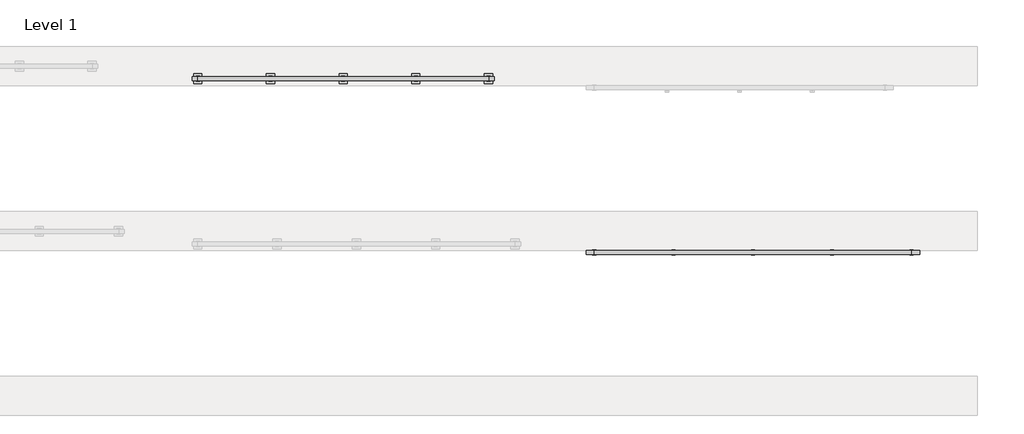
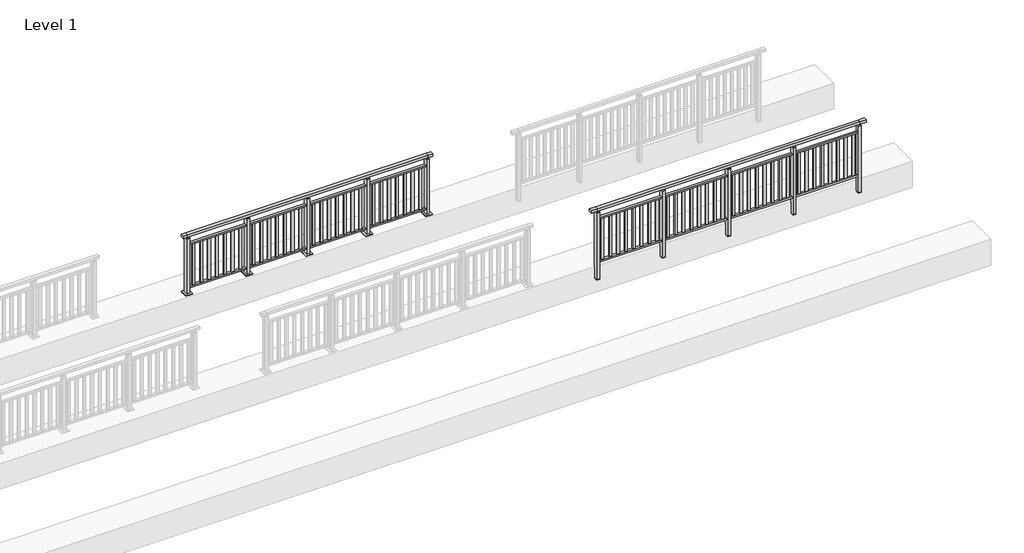
# One storey, part 24 of 38: 2 railings.
"""IFC4 building model written with IfcOpenShell, lengths in millimetres."""

import ifcopenshell
import ifcopenshell.guid

model = None  # the IFC model being written
_history = None  # IfcOwnerHistory: only IFC2X3 demands one
_inside = {}  # id of a spatial element -> (the spatial element, [elements in it])
_under = {}  # id of a project, library or spatial element -> (it, [spatial elements below it])
_declared = {}  # id of a project -> (the project, [libraries it declares])
_typed = {}  # id of a type object -> (the type object, [elements of that type])
_made_of = {}  # id of a material, layer set ... -> (it, [elements and type objects made of it])


def new_model(schema):
    """Start an empty IFC model of exactly this schema.

    Asked for "IFC4X3", IfcOpenShell would pick the latest addendum, in which some entities
    have other attributes; the version numbers below select the first issue.
    IFC2X3 requires an IfcOwnerHistory on every rooted entity: one is made here for all.
    """
    global model, _history
    if schema == "IFC4X3":
        model = ifcopenshell.file(schema_version=(4, 3, 0, 0))
    else:
        model = ifcopenshell.file(schema=schema)
    _inside.clear()
    _under.clear()
    _declared.clear()
    _typed.clear()
    _made_of.clear()
    _history = None
    if model.schema == "IFC2X3":
        org = make("IfcOrganization", Name="unknown")
        user = make(
            "IfcPersonAndOrganization",
            ThePerson=make("IfcPerson", FamilyName="unknown"),
            TheOrganization=org,
        )
        app = make(
            "IfcApplication",
            ApplicationDeveloper=org,
            Version="unknown",
            ApplicationFullName="unknown",
            ApplicationIdentifier="unknown",
        )
        _history = make(
            "IfcOwnerHistory",
            OwningUser=user,
            OwningApplication=app,
            ChangeAction="ADDED",
            CreationDate=0,
        )
    return model


def make(cls, **values):
    """One entity of the class cls with the attributes given. An attribute that is None is left unset."""
    return model.create_entity(
        cls, **{name: value for name, value in values.items() if value is not None}
    )


def rooted(cls, **values):
    """An entity with a GlobalId (a new one), such as an element, a storey or a relation."""
    return make(cls, GlobalId=ifcopenshell.guid.new(), OwnerHistory=_history, **values)


def si_unit(unit_type, name, prefix=None):
    """IfcSIUnit, for example si_unit("LENGTHUNIT", "METRE", prefix="MILLI")."""
    return make("IfcSIUnit", UnitType=unit_type, Prefix=prefix, Name=name)


def assignment(units):
    """IfcUnitAssignment: the units of a project."""
    return None if units is None else make("IfcUnitAssignment", Units=units)


def point(xyz):
    """IfcCartesianPoint."""
    return None if xyz is None else make("IfcCartesianPoint", Coordinates=xyz)


def direction(xyz):
    """IfcDirection."""
    return None if xyz is None else make("IfcDirection", DirectionRatios=xyz)


def frame(location, z_axis=None, x_axis=None):
    """IfcAxis2Placement3D, a coordinate frame: its origin and axes. An axis left out is left unset."""
    return make(
        "IfcAxis2Placement3D",
        Location=point(location),
        Axis=direction(z_axis),
        RefDirection=direction(x_axis),
    )


def origin():
    """The frame at (0, 0, 0) with its axes left unset."""
    return frame((0.0, 0.0, 0.0))


def origin_with_axes():
    """The frame at (0, 0, 0) with the z axis (0, 0, 1) and the x axis (1, 0, 0) written out."""
    return frame((0.0, 0.0, 0.0), z_axis=(0.0, 0.0, 1.0), x_axis=(1.0, 0.0, 0.0))


def place(relative_to, where):
    """IfcLocalPlacement: puts the frame where relative to a parent placement (None: the world)."""
    return make(
        "IfcLocalPlacement", PlacementRelTo=relative_to, RelativePlacement=where
    )


def context(
    kind, dimensions, precision=None, world=None, true_north=None, identifier=None
):
    """IfcGeometricRepresentationContext, for example the 3D "Model" context."""
    return make(
        "IfcGeometricRepresentationContext",
        ContextIdentifier=identifier,
        ContextType=kind,
        CoordinateSpaceDimension=dimensions,
        Precision=precision,
        WorldCoordinateSystem=world,
        TrueNorth=true_north,
    )


def project(units=None, contexts=None):
    """IfcProject with its units and contexts."""
    return rooted(
        "IfcProject",
        Name="project",
        RepresentationContexts=contexts,
        UnitsInContext=assignment(units),
    )


def spatial(cls, under=None, at=None, **own):
    """A site, building, storey or space (cls), placed at a placement, below another one or the project."""
    s = rooted(cls, ObjectPlacement=at, **own)
    if under is not None:
        _under.setdefault(under.id(), (under, []))[1].append(s)
    return s


def polyline(points):
    """IfcPolyline through the points."""
    return make("IfcPolyline", Points=[point(p) for p in points])


def outline(outer, holes=None, kind="AREA"):
    """IfcArbitraryClosedProfileDef: a profile drawn as a closed curve; with holes, ...WithVoids."""
    if holes is None:
        return make("IfcArbitraryClosedProfileDef", ProfileType=kind, OuterCurve=outer)
    return make(
        "IfcArbitraryProfileDefWithVoids",
        ProfileType=kind,
        OuterCurve=outer,
        InnerCurves=holes,
    )


def extrude(swept, where, along, depth):
    """IfcExtrudedAreaSolid: the profile swept, set in the frame where, extruded along a direction by depth."""
    return make(
        "IfcExtrudedAreaSolid",
        SweptArea=swept,
        Position=where,
        ExtrudedDirection=direction(along),
        Depth=depth,
    )


def faces_of(points, faces, orient=None, outer=None):
    """IfcFace entities. A face is a list of loops; a loop is a list of indices into points, from 0.

    orient and outer hold one flag for each loop. By default every Orientation is true, the
    first loop of a face is its IfcFaceOuterBound and the others are IfcFaceBound.
    """
    made = []
    for i, loops in enumerate(faces):
        bounds = []
        for j, loop in enumerate(loops):
            is_outer = j == 0 if outer is None else outer[i][j]
            bounds.append(
                make(
                    "IfcFaceOuterBound" if is_outer else "IfcFaceBound",
                    Bound=make("IfcPolyLoop", Polygon=[points[k] for k in loop]),
                    Orientation=True if orient is None else orient[i][j],
                )
            )
        made.append(make("IfcFace", Bounds=bounds))
    return made


def faceted_brep(points, faces, orient=None, outer=None, voids=None):
    """IfcFacetedBrep: a solid bounded by flat faces; with voids (closed shells), ...WithVoids."""
    shared = [point(p) for p in points]
    hull = make("IfcClosedShell", CfsFaces=faces_of(shared, faces, orient, outer))
    if voids is None:
        return make("IfcFacetedBrep", Outer=hull)
    return make(
        "IfcFacetedBrepWithVoids",
        Outer=hull,
        Voids=[
            make(cls, CfsFaces=faces_of(shared, fs, o, b)) for cls, fs, o, b in voids
        ],
    )


def shape(context_of_items, identifier, shape_type, items):
    """IfcShapeRepresentation: the items that make up one representation, for example the "Body"."""
    return make(
        "IfcShapeRepresentation",
        ContextOfItems=context_of_items,
        RepresentationIdentifier=identifier,
        RepresentationType=shape_type,
        Items=items,
    )


def made_of(thing, what):
    """Note that an element or type object is made of a material, layer set ...; save() writes the relation."""
    if what is not None:
        _made_of.setdefault(what.id(), (what, []))[1].append(thing)
    return thing


def element(
    cls,
    number,
    at=None,
    inside=None,
    cuts=None,
    type_object=None,
    material=None,
    context=None,
    identifier="Body",
    shape_type=None,
    held_by="IfcProductDefinitionShape",
    body=None,
    shapes=None,
    **own,
):
    """One element of the class cls, such as IfcWall. Its Tag is "e" and its number.

    at: its placement. inside: the storey or other place that contains it. cuts: it is an
    opening in that element (IfcRelVoidsElement). A single representation is given by context,
    identifier, shape_type and body (its items); several are given by shapes. held_by: the class
    of the entity that holds the representations. save() writes the other relations.
    """
    e = rooted(cls, Tag="e%d" % number, ObjectPlacement=at, **own)
    if body is not None:
        shapes = [shape(context, identifier, shape_type, body)]
    if shapes is not None:
        e.Representation = make(held_by, Representations=shapes)
    if inside is not None:
        _inside.setdefault(inside.id(), (inside, []))[1].append(e)
    if cuts is not None:
        rooted(
            "IfcRelVoidsElement", RelatingBuildingElement=cuts, RelatedOpeningElement=e
        )
    if type_object is not None:
        _typed.setdefault(type_object.id(), (type_object, []))[1].append(e)
    return made_of(e, material)


def aggregate(whole, parts):
    """IfcRelAggregates: a whole, such as a stair, and the parts it consists of."""
    return rooted("IfcRelAggregates", RelatingObject=whole, RelatedObjects=parts)


def save(model, path):
    """Write the relations noted so far, then the file.

    IfcRelAggregates (storeys below a building ...), IfcRelContainedInSpatialStructure (elements
    in a storey), IfcRelDefinesByType, IfcRelAssociatesMaterial and IfcRelDeclares: one each for
    every whole, place, type object, material and project.
    """
    for whole, parts in _under.values():
        aggregate(whole, parts)
    for where, things in _inside.values():
        rooted(
            "IfcRelContainedInSpatialStructure",
            RelatedElements=things,
            RelatingStructure=where,
        )
    for kind, things in _typed.values():
        rooted("IfcRelDefinesByType", RelatedObjects=things, RelatingType=kind)
    for what, things in _made_of.values():
        rooted("IfcRelAssociatesMaterial", RelatedObjects=things, RelatingMaterial=what)
    for by, libraries in _declared.values():
        rooted("IfcRelDeclares", RelatingContext=by, RelatedDefinitions=libraries)
    model.write(path)


model = new_model("IFC4")

# Units and contexts
model_context = context("Model", 3, world=origin())
ifc_project = project(units=[si_unit("LENGTHUNIT", "METRE", prefix="MILLI")], contexts=[model_context])

# Site, building, storey
site = spatial("IfcSite", under=ifc_project)
building = spatial("IfcBuilding", under=site)
storey = spatial("IfcBuildingStorey", under=building, Name="Level 1", Elevation=0.0)

# Railings
placement = place(None, origin())
element("IfcRailing", 1, at=placement, inside=storey, context=model_context, shape_type="SolidModel", body=[
    faceted_brep([(12000.0, 32397.6846828, 1102.5), (12000.0, 32397.6846828, 1150.0), (16800.0, 32397.6846828, 1150.0), (16800.0, 32397.6846828, 1102.5), (12000.0, 32337.6846828, 1102.5), (16800.0, 32337.6846828, 1102.5), (12000.0, 32337.6846828, 1150.0), (16800.0, 32337.6846828, 1150.0), (11877.0, 32397.6846828, 1150.0), (11877.0, 32397.6846828, 1102.5), (11877.0, 32337.6846828, 1102.5), (11877.0, 32337.6846828, 1150.0), (16923.0, 32397.6846828, 1150.0), (16923.0, 32337.6846828, 1150.0), (16923.0, 32337.6846828, 1102.5), (16923.0, 32397.6846828, 1102.5)], [[[0, 1, 2, 3]], [[4, 0, 3, 5]], [[6, 4, 5, 7]], [[1, 6, 7, 2]], [[8, 9, 10, 11]], [[9, 8, 1, 0]], [[10, 9, 0, 4]], [[11, 10, 4, 6]], [[8, 11, 6, 1]], [[12, 13, 14, 15]], [[3, 2, 12, 15]], [[5, 3, 15, 14]], [[7, 5, 14, 13]], [[2, 7, 13, 12]]]),
    extrude(outline(polyline([(12000.0, 32349.6846828), (12000.0, 32385.6846828), (16800.0, 32385.6846828), (16800.0, 32349.6846828), (12000.0, 32349.6846828)])), frame((0.0, 0.0, 928.0), z_axis=(0.0, 0.0, 1.0), x_axis=(1.0, 0.0, 0.0)), (0.0, 0.0, 1.0), 32.0),
    extrude(outline(polyline([(12000.0, 32349.6846828), (12000.0, 32385.6846828), (16800.0, 32385.6846828), (16800.0, 32349.6846828), (12000.0, 32349.6846828)])), frame((0.0, 0.0, 93.0), z_axis=(0.0, 0.0, 1.0), x_axis=(1.0, 0.0, 0.0)), (0.0, 0.0, 1.0), 32.0),
    extrude(outline(polyline([(16725.7345679, 32359.1846828), (16676.7345679, 32359.1846828), (16676.7345679, 32376.1846828), (16725.7345679, 32376.1846828), (16725.7345679, 32359.1846828)])), frame((0.0, 0.0, 125.0), z_axis=(0.0, 0.0, 1.0), x_axis=(1.0, 0.0, 0.0)), (0.0, 0.0, 1.0), 803.0),
    extrude(outline(polyline([(16582.5246914, 32359.1846828), (16533.5246914, 32359.1846828), (16533.5246914, 32376.1846828), (16582.5246914, 32376.1846828), (16582.5246914, 32359.1846828)])), frame((0.0, 0.0, 125.0), z_axis=(0.0, 0.0, 1.0), x_axis=(1.0, 0.0, 0.0)), (0.0, 0.0, 1.0), 803.0),
    extrude(outline(polyline([(16439.3148148, 32359.1846828), (16390.3148148, 32359.1846828), (16390.3148148, 32376.1846828), (16439.3148148, 32376.1846828), (16439.3148148, 32359.1846828)])), frame((0.0, 0.0, 125.0), z_axis=(0.0, 0.0, 1.0), x_axis=(1.0, 0.0, 0.0)), (0.0, 0.0, 1.0), 803.0),
    extrude(outline(polyline([(16296.1049383, 32359.1846828), (16247.1049383, 32359.1846828), (16247.1049383, 32376.1846828), (16296.1049383, 32376.1846828), (16296.1049383, 32359.1846828)])), frame((0.0, 0.0, 125.0), z_axis=(0.0, 0.0, 1.0), x_axis=(1.0, 0.0, 0.0)), (0.0, 0.0, 1.0), 803.0),
    extrude(outline(polyline([(16152.8950617, 32359.1846828), (16103.8950617, 32359.1846828), (16103.8950617, 32376.1846828), (16152.8950617, 32376.1846828), (16152.8950617, 32359.1846828)])), frame((0.0, 0.0, 125.0), z_axis=(0.0, 0.0, 1.0), x_axis=(1.0, 0.0, 0.0)), (0.0, 0.0, 1.0), 803.0),
    extrude(outline(polyline([(16009.6851852, 32359.1846828), (15960.6851852, 32359.1846828), (15960.6851852, 32376.1846828), (16009.6851852, 32376.1846828), (16009.6851852, 32359.1846828)])), frame((0.0, 0.0, 125.0), z_axis=(0.0, 0.0, 1.0), x_axis=(1.0, 0.0, 0.0)), (0.0, 0.0, 1.0), 803.0),
    extrude(outline(polyline([(15866.4753086, 32359.1846828), (15817.4753086, 32359.1846828), (15817.4753086, 32376.1846828), (15866.4753086, 32376.1846828), (15866.4753086, 32359.1846828)])), frame((0.0, 0.0, 125.0), z_axis=(0.0, 0.0, 1.0), x_axis=(1.0, 0.0, 0.0)), (0.0, 0.0, 1.0), 803.0),
    extrude(outline(polyline([(15723.2654321, 32359.1846828), (15674.2654321, 32359.1846828), (15674.2654321, 32376.1846828), (15723.2654321, 32376.1846828), (15723.2654321, 32359.1846828)])), frame((0.0, 0.0, 125.0), z_axis=(0.0, 0.0, 1.0), x_axis=(1.0, 0.0, 0.0)), (0.0, 0.0, 1.0), 803.0),
    extrude(outline(polyline([(15627.0, 32406.6846828), (15627.0, 32328.6846828), (15573.0, 32328.6846828), (15573.0, 32406.6846828), (15627.0, 32406.6846828)])), frame((0.0, 0.0, 1077.0), z_axis=(0.0, 0.0, 1.0), x_axis=(1.0, 0.0, 0.0)), (0.0, 0.0, 1.0), 8.0),
    extrude(outline(polyline([(15627.0, 32406.6846828), (15627.0, 32328.6846828), (15573.0, 32328.6846828), (15573.0, 32406.6846828), (15627.0, 32406.6846828)])), frame((0.0, 0.0, -212.0), z_axis=(0.0, 0.0, 1.0), x_axis=(1.0, 0.0, 0.0)), (0.0, 0.0, 1.0), 1289.0),
    extrude(outline(polyline([(15610.0, 32377.6846828), (15610.0, 32357.6846828), (15590.0, 32357.6846828), (15590.0, 32377.6846828), (15610.0, 32377.6846828)])), frame((0.0, 0.0, 1085.0), z_axis=(0.0, 0.0, 1.0), x_axis=(1.0, 0.0, 0.0)), (0.0, 0.0, 1.0), 20.0),
    extrude(outline(polyline([(15627.0, 32406.6846828), (15627.0, 32328.6846828), (15573.0, 32328.6846828), (15573.0, 32406.6846828), (15627.0, 32406.6846828)])), frame((0.0, 0.0, -220.0), z_axis=(0.0, 0.0, 1.0), x_axis=(1.0, 0.0, 0.0)), (0.0, 0.0, 1.0), 8.0),
    extrude(outline(polyline([(15525.7345679, 32359.1846828), (15476.7345679, 32359.1846828), (15476.7345679, 32376.1846828), (15525.7345679, 32376.1846828), (15525.7345679, 32359.1846828)])), frame((0.0, 0.0, 125.0), z_axis=(0.0, 0.0, 1.0), x_axis=(1.0, 0.0, 0.0)), (0.0, 0.0, 1.0), 803.0),
    extrude(outline(polyline([(15382.5246914, 32359.1846828), (15333.5246914, 32359.1846828), (15333.5246914, 32376.1846828), (15382.5246914, 32376.1846828), (15382.5246914, 32359.1846828)])), frame((0.0, 0.0, 125.0), z_axis=(0.0, 0.0, 1.0), x_axis=(1.0, 0.0, 0.0)), (0.0, 0.0, 1.0), 803.0),
    extrude(outline(polyline([(15239.3148148, 32359.1846828), (15190.3148148, 32359.1846828), (15190.3148148, 32376.1846828), (15239.3148148, 32376.1846828), (15239.3148148, 32359.1846828)])), frame((0.0, 0.0, 125.0), z_axis=(0.0, 0.0, 1.0), x_axis=(1.0, 0.0, 0.0)), (0.0, 0.0, 1.0), 803.0),
    extrude(outline(polyline([(15096.1049383, 32359.1846828), (15047.1049383, 32359.1846828), (15047.1049383, 32376.1846828), (15096.1049383, 32376.1846828), (15096.1049383, 32359.1846828)])), frame((0.0, 0.0, 125.0), z_axis=(0.0, 0.0, 1.0), x_axis=(1.0, 0.0, 0.0)), (0.0, 0.0, 1.0), 803.0),
    extrude(outline(polyline([(14952.8950617, 32359.1846828), (14903.8950617, 32359.1846828), (14903.8950617, 32376.1846828), (14952.8950617, 32376.1846828), (14952.8950617, 32359.1846828)])), frame((0.0, 0.0, 125.0), z_axis=(0.0, 0.0, 1.0), x_axis=(1.0, 0.0, 0.0)), (0.0, 0.0, 1.0), 803.0),
    extrude(outline(polyline([(14809.6851852, 32359.1846828), (14760.6851852, 32359.1846828), (14760.6851852, 32376.1846828), (14809.6851852, 32376.1846828), (14809.6851852, 32359.1846828)])), frame((0.0, 0.0, 125.0), z_axis=(0.0, 0.0, 1.0), x_axis=(1.0, 0.0, 0.0)), (0.0, 0.0, 1.0), 803.0),
    extrude(outline(polyline([(14666.4753086, 32359.1846828), (14617.4753086, 32359.1846828), (14617.4753086, 32376.1846828), (14666.4753086, 32376.1846828), (14666.4753086, 32359.1846828)])), frame((0.0, 0.0, 125.0), z_axis=(0.0, 0.0, 1.0), x_axis=(1.0, 0.0, 0.0)), (0.0, 0.0, 1.0), 803.0),
    extrude(outline(polyline([(14523.2654321, 32359.1846828), (14474.2654321, 32359.1846828), (14474.2654321, 32376.1846828), (14523.2654321, 32376.1846828), (14523.2654321, 32359.1846828)])), frame((0.0, 0.0, 125.0), z_axis=(0.0, 0.0, 1.0), x_axis=(1.0, 0.0, 0.0)), (0.0, 0.0, 1.0), 803.0),
    extrude(outline(polyline([(14427.0, 32406.6846828), (14427.0, 32328.6846828), (14373.0, 32328.6846828), (14373.0, 32406.6846828), (14427.0, 32406.6846828)])), frame((0.0, 0.0, 1077.0), z_axis=(0.0, 0.0, 1.0), x_axis=(1.0, 0.0, 0.0)), (0.0, 0.0, 1.0), 8.0),
    extrude(outline(polyline([(14427.0, 32406.6846828), (14427.0, 32328.6846828), (14373.0, 32328.6846828), (14373.0, 32406.6846828), (14427.0, 32406.6846828)])), frame((0.0, 0.0, -212.0), z_axis=(0.0, 0.0, 1.0), x_axis=(1.0, 0.0, 0.0)), (0.0, 0.0, 1.0), 1289.0),
    extrude(outline(polyline([(14410.0, 32377.6846828), (14410.0, 32357.6846828), (14390.0, 32357.6846828), (14390.0, 32377.6846828), (14410.0, 32377.6846828)])), frame((0.0, 0.0, 1085.0), z_axis=(0.0, 0.0, 1.0), x_axis=(1.0, 0.0, 0.0)), (0.0, 0.0, 1.0), 20.0),
    extrude(outline(polyline([(14427.0, 32406.6846828), (14427.0, 32328.6846828), (14373.0, 32328.6846828), (14373.0, 32406.6846828), (14427.0, 32406.6846828)])), frame((0.0, 0.0, -220.0), z_axis=(0.0, 0.0, 1.0), x_axis=(1.0, 0.0, 0.0)), (0.0, 0.0, 1.0), 8.0),
    extrude(outline(polyline([(14325.7345679, 32359.1846828), (14276.7345679, 32359.1846828), (14276.7345679, 32376.1846828), (14325.7345679, 32376.1846828), (14325.7345679, 32359.1846828)])), frame((0.0, 0.0, 125.0), z_axis=(0.0, 0.0, 1.0), x_axis=(1.0, 0.0, 0.0)), (0.0, 0.0, 1.0), 803.0),
    extrude(outline(polyline([(14182.5246914, 32359.1846828), (14133.5246914, 32359.1846828), (14133.5246914, 32376.1846828), (14182.5246914, 32376.1846828), (14182.5246914, 32359.1846828)])), frame((0.0, 0.0, 125.0), z_axis=(0.0, 0.0, 1.0), x_axis=(1.0, 0.0, 0.0)), (0.0, 0.0, 1.0), 803.0),
    extrude(outline(polyline([(14039.3148148, 32359.1846828), (13990.3148148, 32359.1846828), (13990.3148148, 32376.1846828), (14039.3148148, 32376.1846828), (14039.3148148, 32359.1846828)])), frame((0.0, 0.0, 125.0), z_axis=(0.0, 0.0, 1.0), x_axis=(1.0, 0.0, 0.0)), (0.0, 0.0, 1.0), 803.0),
    extrude(outline(polyline([(13896.1049383, 32359.1846828), (13847.1049383, 32359.1846828), (13847.1049383, 32376.1846828), (13896.1049383, 32376.1846828), (13896.1049383, 32359.1846828)])), frame((0.0, 0.0, 125.0), z_axis=(0.0, 0.0, 1.0), x_axis=(1.0, 0.0, 0.0)), (0.0, 0.0, 1.0), 803.0),
    extrude(outline(polyline([(13752.8950617, 32359.1846828), (13703.8950617, 32359.1846828), (13703.8950617, 32376.1846828), (13752.8950617, 32376.1846828), (13752.8950617, 32359.1846828)])), frame((0.0, 0.0, 125.0), z_axis=(0.0, 0.0, 1.0), x_axis=(1.0, 0.0, 0.0)), (0.0, 0.0, 1.0), 803.0),
    extrude(outline(polyline([(13609.6851852, 32359.1846828), (13560.6851852, 32359.1846828), (13560.6851852, 32376.1846828), (13609.6851852, 32376.1846828), (13609.6851852, 32359.1846828)])), frame((0.0, 0.0, 125.0), z_axis=(0.0, 0.0, 1.0), x_axis=(1.0, 0.0, 0.0)), (0.0, 0.0, 1.0), 803.0),
    extrude(outline(polyline([(13466.4753086, 32359.1846828), (13417.4753086, 32359.1846828), (13417.4753086, 32376.1846828), (13466.4753086, 32376.1846828), (13466.4753086, 32359.1846828)])), frame((0.0, 0.0, 125.0), z_axis=(0.0, 0.0, 1.0), x_axis=(1.0, 0.0, 0.0)), (0.0, 0.0, 1.0), 803.0),
    extrude(outline(polyline([(13323.2654321, 32359.1846828), (13274.2654321, 32359.1846828), (13274.2654321, 32376.1846828), (13323.2654321, 32376.1846828), (13323.2654321, 32359.1846828)])), frame((0.0, 0.0, 125.0), z_axis=(0.0, 0.0, 1.0), x_axis=(1.0, 0.0, 0.0)), (0.0, 0.0, 1.0), 803.0),
    extrude(outline(polyline([(13227.0, 32406.6846828), (13227.0, 32328.6846828), (13173.0, 32328.6846828), (13173.0, 32406.6846828), (13227.0, 32406.6846828)])), frame((0.0, 0.0, 1077.0), z_axis=(0.0, 0.0, 1.0), x_axis=(1.0, 0.0, 0.0)), (0.0, 0.0, 1.0), 8.0),
    extrude(outline(polyline([(13227.0, 32406.6846828), (13227.0, 32328.6846828), (13173.0, 32328.6846828), (13173.0, 32406.6846828), (13227.0, 32406.6846828)])), frame((0.0, 0.0, -212.0), z_axis=(0.0, 0.0, 1.0), x_axis=(1.0, 0.0, 0.0)), (0.0, 0.0, 1.0), 1289.0),
    extrude(outline(polyline([(13210.0, 32377.6846828), (13210.0, 32357.6846828), (13190.0, 32357.6846828), (13190.0, 32377.6846828), (13210.0, 32377.6846828)])), frame((0.0, 0.0, 1085.0), z_axis=(0.0, 0.0, 1.0), x_axis=(1.0, 0.0, 0.0)), (0.0, 0.0, 1.0), 20.0),
    extrude(outline(polyline([(13227.0, 32406.6846828), (13227.0, 32328.6846828), (13173.0, 32328.6846828), (13173.0, 32406.6846828), (13227.0, 32406.6846828)])), frame((0.0, 0.0, -220.0), z_axis=(0.0, 0.0, 1.0), x_axis=(1.0, 0.0, 0.0)), (0.0, 0.0, 1.0), 8.0),
    extrude(outline(polyline([(13125.7345679, 32359.1846828), (13076.7345679, 32359.1846828), (13076.7345679, 32376.1846828), (13125.7345679, 32376.1846828), (13125.7345679, 32359.1846828)])), frame((0.0, 0.0, 125.0), z_axis=(0.0, 0.0, 1.0), x_axis=(1.0, 0.0, 0.0)), (0.0, 0.0, 1.0), 803.0),
    extrude(outline(polyline([(12982.5246914, 32359.1846828), (12933.5246914, 32359.1846828), (12933.5246914, 32376.1846828), (12982.5246914, 32376.1846828), (12982.5246914, 32359.1846828)])), frame((0.0, 0.0, 125.0), z_axis=(0.0, 0.0, 1.0), x_axis=(1.0, 0.0, 0.0)), (0.0, 0.0, 1.0), 803.0),
    extrude(outline(polyline([(12839.3148148, 32359.1846828), (12790.3148148, 32359.1846828), (12790.3148148, 32376.1846828), (12839.3148148, 32376.1846828), (12839.3148148, 32359.1846828)])), frame((0.0, 0.0, 125.0), z_axis=(0.0, 0.0, 1.0), x_axis=(1.0, 0.0, 0.0)), (0.0, 0.0, 1.0), 803.0),
    extrude(outline(polyline([(12696.1049383, 32359.1846828), (12647.1049383, 32359.1846828), (12647.1049383, 32376.1846828), (12696.1049383, 32376.1846828), (12696.1049383, 32359.1846828)])), frame((0.0, 0.0, 125.0), z_axis=(0.0, 0.0, 1.0), x_axis=(1.0, 0.0, 0.0)), (0.0, 0.0, 1.0), 803.0),
    extrude(outline(polyline([(12552.8950617, 32359.1846828), (12503.8950617, 32359.1846828), (12503.8950617, 32376.1846828), (12552.8950617, 32376.1846828), (12552.8950617, 32359.1846828)])), frame((0.0, 0.0, 125.0), z_axis=(0.0, 0.0, 1.0), x_axis=(1.0, 0.0, 0.0)), (0.0, 0.0, 1.0), 803.0),
    extrude(outline(polyline([(12409.6851852, 32359.1846828), (12360.6851852, 32359.1846828), (12360.6851852, 32376.1846828), (12409.6851852, 32376.1846828), (12409.6851852, 32359.1846828)])), frame((0.0, 0.0, 125.0), z_axis=(0.0, 0.0, 1.0), x_axis=(1.0, 0.0, 0.0)), (0.0, 0.0, 1.0), 803.0),
    extrude(outline(polyline([(12266.4753086, 32359.1846828), (12217.4753086, 32359.1846828), (12217.4753086, 32376.1846828), (12266.4753086, 32376.1846828), (12266.4753086, 32359.1846828)])), frame((0.0, 0.0, 125.0), z_axis=(0.0, 0.0, 1.0), x_axis=(1.0, 0.0, 0.0)), (0.0, 0.0, 1.0), 803.0),
    extrude(outline(polyline([(12123.2654321, 32359.1846828), (12074.2654321, 32359.1846828), (12074.2654321, 32376.1846828), (12123.2654321, 32376.1846828), (12123.2654321, 32359.1846828)])), frame((0.0, 0.0, 125.0), z_axis=(0.0, 0.0, 1.0), x_axis=(1.0, 0.0, 0.0)), (0.0, 0.0, 1.0), 803.0),
    extrude(outline(polyline([(16827.0, 32406.6846828), (16827.0, 32328.6846828), (16773.0, 32328.6846828), (16773.0, 32406.6846828), (16827.0, 32406.6846828)])), frame((0.0, 0.0, 1077.0), z_axis=(0.0, 0.0, 1.0), x_axis=(1.0, 0.0, 0.0)), (0.0, 0.0, 1.0), 8.0),
    extrude(outline(polyline([(16827.0, 32406.6846828), (16827.0, 32328.6846828), (16773.0, 32328.6846828), (16773.0, 32406.6846828), (16827.0, 32406.6846828)])), frame((0.0, 0.0, -212.0), z_axis=(0.0, 0.0, 1.0), x_axis=(1.0, 0.0, 0.0)), (0.0, 0.0, 1.0), 1289.0),
    extrude(outline(polyline([(16810.0, 32377.6846828), (16810.0, 32357.6846828), (16790.0, 32357.6846828), (16790.0, 32377.6846828), (16810.0, 32377.6846828)])), frame((0.0, 0.0, 1085.0), z_axis=(0.0, 0.0, 1.0), x_axis=(1.0, 0.0, 0.0)), (0.0, 0.0, 1.0), 20.0),
    extrude(outline(polyline([(16827.0, 32406.6846828), (16827.0, 32328.6846828), (16773.0, 32328.6846828), (16773.0, 32406.6846828), (16827.0, 32406.6846828)])), frame((0.0, 0.0, -220.0), z_axis=(0.0, 0.0, 1.0), x_axis=(1.0, 0.0, 0.0)), (0.0, 0.0, 1.0), 8.0),
    extrude(outline(polyline([(12027.0, 32406.6846828), (12027.0, 32328.6846828), (11973.0, 32328.6846828), (11973.0, 32406.6846828), (12027.0, 32406.6846828)])), frame((0.0, 0.0, 1077.0), z_axis=(0.0, 0.0, 1.0), x_axis=(1.0, 0.0, 0.0)), (0.0, 0.0, 1.0), 8.0),
    extrude(outline(polyline([(12027.0, 32406.6846828), (12027.0, 32328.6846828), (11973.0, 32328.6846828), (11973.0, 32406.6846828), (12027.0, 32406.6846828)])), frame((0.0, 0.0, -212.0), z_axis=(0.0, 0.0, 1.0), x_axis=(1.0, 0.0, 0.0)), (0.0, 0.0, 1.0), 1289.0),
    extrude(outline(polyline([(12010.0, 32377.6846828), (12010.0, 32357.6846828), (11990.0, 32357.6846828), (11990.0, 32377.6846828), (12010.0, 32377.6846828)])), frame((0.0, 0.0, 1085.0), z_axis=(0.0, 0.0, 1.0), x_axis=(1.0, 0.0, 0.0)), (0.0, 0.0, 1.0), 20.0),
    extrude(outline(polyline([(12027.0, 32406.6846828), (12027.0, 32328.6846828), (11973.0, 32328.6846828), (11973.0, 32406.6846828), (12027.0, 32406.6846828)])), frame((0.0, 0.0, -220.0), z_axis=(0.0, 0.0, 1.0), x_axis=(1.0, 0.0, 0.0)), (0.0, 0.0, 1.0), 8.0),
])
element("IfcRailing", 2, at=placement, inside=storey, context=model_context, shape_type="SolidModel", body=[
    faceted_brep([(6000.0, 35030.1846828, 1102.5), (6000.0, 35030.1846828, 1150.0), (10400.0, 35030.1846828, 1150.0), (10400.0, 35030.1846828, 1102.5), (6000.0, 34970.1846828, 1102.5), (10400.0, 34970.1846828, 1102.5), (6000.0, 34970.1846828, 1150.0), (10400.0, 34970.1846828, 1150.0), (5912.5, 35030.1846828, 1150.0), (5912.5, 35030.1846828, 1102.5), (5912.5, 34970.1846828, 1102.5), (5912.5, 34970.1846828, 1150.0), (10487.5, 35030.1846828, 1150.0), (10487.5, 34970.1846828, 1150.0), (10487.5, 34970.1846828, 1102.5), (10487.5, 35030.1846828, 1102.5)], [[[0, 1, 2, 3]], [[4, 0, 3, 5]], [[6, 4, 5, 7]], [[1, 6, 7, 2]], [[8, 9, 10, 11]], [[9, 8, 1, 0]], [[10, 9, 0, 4]], [[11, 10, 4, 6]], [[8, 11, 6, 1]], [[12, 13, 14, 15]], [[3, 2, 12, 15]], [[5, 3, 15, 14]], [[7, 5, 14, 13]], [[2, 7, 13, 12]]]),
    extrude(outline(polyline([(6000.0, 34982.1846828), (6000.0, 35018.1846828), (10400.0, 35018.1846828), (10400.0, 34982.1846828), (6000.0, 34982.1846828)])), frame((0.0, 0.0, 928.0), z_axis=(0.0, 0.0, 1.0), x_axis=(1.0, 0.0, 0.0)), (0.0, 0.0, 1.0), 32.0),
    extrude(outline(polyline([(6000.0, 34982.1846828), (6000.0, 35018.1846828), (10400.0, 35018.1846828), (10400.0, 34982.1846828), (6000.0, 34982.1846828)])), frame((0.0, 0.0, 93.0), z_axis=(0.0, 0.0, 1.0), x_axis=(1.0, 0.0, 0.0)), (0.0, 0.0, 1.0), 32.0),
    extrude(outline(polyline([(10306.3592058, 35008.6846828), (10306.3592058, 34991.6846828), (10257.3592058, 34991.6846828), (10257.3592058, 35008.6846828), (10306.3592058, 35008.6846828)])), frame((0.0, 0.0, 125.0), z_axis=(0.0, 0.0, 1.0), x_axis=(1.0, 0.0, 0.0)), (0.0, 0.0, 1.0), 803.0),
    extrude(outline(polyline([(10162.4061372, 35008.6846828), (10162.4061372, 34991.6846828), (10113.4061372, 34991.6846828), (10113.4061372, 35008.6846828), (10162.4061372, 35008.6846828)])), frame((0.0, 0.0, 125.0), z_axis=(0.0, 0.0, 1.0), x_axis=(1.0, 0.0, 0.0)), (0.0, 0.0, 1.0), 803.0),
    extrude(outline(polyline([(10018.4530686, 35008.6846828), (10018.4530686, 34991.6846828), (9969.4530686, 34991.6846828), (9969.4530686, 35008.6846828), (10018.4530686, 35008.6846828)])), frame((0.0, 0.0, 125.0), z_axis=(0.0, 0.0, 1.0), x_axis=(1.0, 0.0, 0.0)), (0.0, 0.0, 1.0), 803.0),
    extrude(outline(polyline([(9874.5, 35008.6846828), (9874.5, 34991.6846828), (9825.5, 34991.6846828), (9825.5, 35008.6846828), (9874.5, 35008.6846828)])), frame((0.0, 0.0, 125.0), z_axis=(0.0, 0.0, 1.0), x_axis=(1.0, 0.0, 0.0)), (0.0, 0.0, 1.0), 803.0),
    extrude(outline(polyline([(9730.5469314, 35008.6846828), (9730.5469314, 34991.6846828), (9681.5469314, 34991.6846828), (9681.5469314, 35008.6846828), (9730.5469314, 35008.6846828)])), frame((0.0, 0.0, 125.0), z_axis=(0.0, 0.0, 1.0), x_axis=(1.0, 0.0, 0.0)), (0.0, 0.0, 1.0), 803.0),
    extrude(outline(polyline([(9586.5938628, 35008.6846828), (9586.5938628, 34991.6846828), (9537.5938628, 34991.6846828), (9537.5938628, 35008.6846828), (9586.5938628, 35008.6846828)])), frame((0.0, 0.0, 125.0), z_axis=(0.0, 0.0, 1.0), x_axis=(1.0, 0.0, 0.0)), (0.0, 0.0, 1.0), 803.0),
    extrude(outline(polyline([(9442.6407942, 35008.6846828), (9442.6407942, 34991.6846828), (9393.6407942, 34991.6846828), (9393.6407942, 35008.6846828), (9442.6407942, 35008.6846828)])), frame((0.0, 0.0, 125.0), z_axis=(0.0, 0.0, 1.0), x_axis=(1.0, 0.0, 0.0)), (0.0, 0.0, 1.0), 803.0),
    extrude(outline(polyline([(9310.0, 34990.1846828), (9290.0, 34990.1846828), (9290.0, 35010.1846828), (9310.0, 35010.1846828), (9310.0, 34990.1846828)])), frame((0.0, 0.0, 1085.0), z_axis=(0.0, 0.0, 1.0), x_axis=(1.0, 0.0, 0.0)), (0.0, 0.0, 1.0), 20.0),
    extrude(outline(polyline([(9327.0, 34961.1846828), (9273.0, 34961.1846828), (9273.0, 35039.1846828), (9327.0, 35039.1846828), (9327.0, 34961.1846828)])), frame((0.0, 0.0, 1077.0), z_axis=(0.0, 0.0, 1.0), x_axis=(1.0, 0.0, 0.0)), (0.0, 0.0, 1.0), 8.0),
    extrude(outline(polyline([(9362.5, 34925.1846828), (9237.5, 34925.1846828), (9237.5, 35075.1846828), (9362.5, 35075.1846828), (9362.5, 34925.1846828)])), origin_with_axes(), (0.0, 0.0, 1.0), 12.0),
    extrude(outline(polyline([(9327.0, 34961.1846828), (9273.0, 34961.1846828), (9273.0, 35039.1846828), (9327.0, 35039.1846828), (9327.0, 34961.1846828)])), frame((0.0, 0.0, 12.0), z_axis=(0.0, 0.0, 1.0), x_axis=(1.0, 0.0, 0.0)), (0.0, 0.0, 1.0), 1065.0),
    extrude(outline(polyline([(9206.3592058, 35008.6846828), (9206.3592058, 34991.6846828), (9157.3592058, 34991.6846828), (9157.3592058, 35008.6846828), (9206.3592058, 35008.6846828)])), frame((0.0, 0.0, 125.0), z_axis=(0.0, 0.0, 1.0), x_axis=(1.0, 0.0, 0.0)), (0.0, 0.0, 1.0), 803.0),
    extrude(outline(polyline([(9062.4061372, 35008.6846828), (9062.4061372, 34991.6846828), (9013.4061372, 34991.6846828), (9013.4061372, 35008.6846828), (9062.4061372, 35008.6846828)])), frame((0.0, 0.0, 125.0), z_axis=(0.0, 0.0, 1.0), x_axis=(1.0, 0.0, 0.0)), (0.0, 0.0, 1.0), 803.0),
    extrude(outline(polyline([(8918.4530686, 35008.6846828), (8918.4530686, 34991.6846828), (8869.4530686, 34991.6846828), (8869.4530686, 35008.6846828), (8918.4530686, 35008.6846828)])), frame((0.0, 0.0, 125.0), z_axis=(0.0, 0.0, 1.0), x_axis=(1.0, 0.0, 0.0)), (0.0, 0.0, 1.0), 803.0),
    extrude(outline(polyline([(8774.5, 35008.6846828), (8774.5, 34991.6846828), (8725.5, 34991.6846828), (8725.5, 35008.6846828), (8774.5, 35008.6846828)])), frame((0.0, 0.0, 125.0), z_axis=(0.0, 0.0, 1.0), x_axis=(1.0, 0.0, 0.0)), (0.0, 0.0, 1.0), 803.0),
    extrude(outline(polyline([(8630.5469314, 35008.6846828), (8630.5469314, 34991.6846828), (8581.5469314, 34991.6846828), (8581.5469314, 35008.6846828), (8630.5469314, 35008.6846828)])), frame((0.0, 0.0, 125.0), z_axis=(0.0, 0.0, 1.0), x_axis=(1.0, 0.0, 0.0)), (0.0, 0.0, 1.0), 803.0),
    extrude(outline(polyline([(8486.5938628, 35008.6846828), (8486.5938628, 34991.6846828), (8437.5938628, 34991.6846828), (8437.5938628, 35008.6846828), (8486.5938628, 35008.6846828)])), frame((0.0, 0.0, 125.0), z_axis=(0.0, 0.0, 1.0), x_axis=(1.0, 0.0, 0.0)), (0.0, 0.0, 1.0), 803.0),
    extrude(outline(polyline([(8342.6407942, 35008.6846828), (8342.6407942, 34991.6846828), (8293.6407942, 34991.6846828), (8293.6407942, 35008.6846828), (8342.6407942, 35008.6846828)])), frame((0.0, 0.0, 125.0), z_axis=(0.0, 0.0, 1.0), x_axis=(1.0, 0.0, 0.0)), (0.0, 0.0, 1.0), 803.0),
    extrude(outline(polyline([(8210.0, 34990.1846828), (8190.0, 34990.1846828), (8190.0, 35010.1846828), (8210.0, 35010.1846828), (8210.0, 34990.1846828)])), frame((0.0, 0.0, 1085.0), z_axis=(0.0, 0.0, 1.0), x_axis=(1.0, 0.0, 0.0)), (0.0, 0.0, 1.0), 20.0),
    extrude(outline(polyline([(8227.0, 34961.1846828), (8173.0, 34961.1846828), (8173.0, 35039.1846828), (8227.0, 35039.1846828), (8227.0, 34961.1846828)])), frame((0.0, 0.0, 1077.0), z_axis=(0.0, 0.0, 1.0), x_axis=(1.0, 0.0, 0.0)), (0.0, 0.0, 1.0), 8.0),
    extrude(outline(polyline([(8262.5, 34925.1846828), (8137.5, 34925.1846828), (8137.5, 35075.1846828), (8262.5, 35075.1846828), (8262.5, 34925.1846828)])), origin_with_axes(), (0.0, 0.0, 1.0), 12.0),
    extrude(outline(polyline([(8227.0, 34961.1846828), (8173.0, 34961.1846828), (8173.0, 35039.1846828), (8227.0, 35039.1846828), (8227.0, 34961.1846828)])), frame((0.0, 0.0, 12.0), z_axis=(0.0, 0.0, 1.0), x_axis=(1.0, 0.0, 0.0)), (0.0, 0.0, 1.0), 1065.0),
    extrude(outline(polyline([(8106.3592058, 35008.6846828), (8106.3592058, 34991.6846828), (8057.3592058, 34991.6846828), (8057.3592058, 35008.6846828), (8106.3592058, 35008.6846828)])), frame((0.0, 0.0, 125.0), z_axis=(0.0, 0.0, 1.0), x_axis=(1.0, 0.0, 0.0)), (0.0, 0.0, 1.0), 803.0),
    extrude(outline(polyline([(7962.4061372, 35008.6846828), (7962.4061372, 34991.6846828), (7913.4061372, 34991.6846828), (7913.4061372, 35008.6846828), (7962.4061372, 35008.6846828)])), frame((0.0, 0.0, 125.0), z_axis=(0.0, 0.0, 1.0), x_axis=(1.0, 0.0, 0.0)), (0.0, 0.0, 1.0), 803.0),
    extrude(outline(polyline([(7818.4530686, 35008.6846828), (7818.4530686, 34991.6846828), (7769.4530686, 34991.6846828), (7769.4530686, 35008.6846828), (7818.4530686, 35008.6846828)])), frame((0.0, 0.0, 125.0), z_axis=(0.0, 0.0, 1.0), x_axis=(1.0, 0.0, 0.0)), (0.0, 0.0, 1.0), 803.0),
    extrude(outline(polyline([(7674.5, 35008.6846828), (7674.5, 34991.6846828), (7625.5, 34991.6846828), (7625.5, 35008.6846828), (7674.5, 35008.6846828)])), frame((0.0, 0.0, 125.0), z_axis=(0.0, 0.0, 1.0), x_axis=(1.0, 0.0, 0.0)), (0.0, 0.0, 1.0), 803.0),
    extrude(outline(polyline([(7530.5469314, 35008.6846828), (7530.5469314, 34991.6846828), (7481.5469314, 34991.6846828), (7481.5469314, 35008.6846828), (7530.5469314, 35008.6846828)])), frame((0.0, 0.0, 125.0), z_axis=(0.0, 0.0, 1.0), x_axis=(1.0, 0.0, 0.0)), (0.0, 0.0, 1.0), 803.0),
    extrude(outline(polyline([(7386.5938628, 35008.6846828), (7386.5938628, 34991.6846828), (7337.5938628, 34991.6846828), (7337.5938628, 35008.6846828), (7386.5938628, 35008.6846828)])), frame((0.0, 0.0, 125.0), z_axis=(0.0, 0.0, 1.0), x_axis=(1.0, 0.0, 0.0)), (0.0, 0.0, 1.0), 803.0),
    extrude(outline(polyline([(7242.6407942, 35008.6846828), (7242.6407942, 34991.6846828), (7193.6407942, 34991.6846828), (7193.6407942, 35008.6846828), (7242.6407942, 35008.6846828)])), frame((0.0, 0.0, 125.0), z_axis=(0.0, 0.0, 1.0), x_axis=(1.0, 0.0, 0.0)), (0.0, 0.0, 1.0), 803.0),
    extrude(outline(polyline([(7110.0, 34990.1846828), (7090.0, 34990.1846828), (7090.0, 35010.1846828), (7110.0, 35010.1846828), (7110.0, 34990.1846828)])), frame((0.0, 0.0, 1085.0), z_axis=(0.0, 0.0, 1.0), x_axis=(1.0, 0.0, 0.0)), (0.0, 0.0, 1.0), 20.0),
    extrude(outline(polyline([(7127.0, 34961.1846828), (7073.0, 34961.1846828), (7073.0, 35039.1846828), (7127.0, 35039.1846828), (7127.0, 34961.1846828)])), frame((0.0, 0.0, 1077.0), z_axis=(0.0, 0.0, 1.0), x_axis=(1.0, 0.0, 0.0)), (0.0, 0.0, 1.0), 8.0),
    extrude(outline(polyline([(7162.5, 34925.1846828), (7037.5, 34925.1846828), (7037.5, 35075.1846828), (7162.5, 35075.1846828), (7162.5, 34925.1846828)])), origin_with_axes(), (0.0, 0.0, 1.0), 12.0),
    extrude(outline(polyline([(7127.0, 34961.1846828), (7073.0, 34961.1846828), (7073.0, 35039.1846828), (7127.0, 35039.1846828), (7127.0, 34961.1846828)])), frame((0.0, 0.0, 12.0), z_axis=(0.0, 0.0, 1.0), x_axis=(1.0, 0.0, 0.0)), (0.0, 0.0, 1.0), 1065.0),
    extrude(outline(polyline([(7006.3592058, 35008.6846828), (7006.3592058, 34991.6846828), (6957.3592058, 34991.6846828), (6957.3592058, 35008.6846828), (7006.3592058, 35008.6846828)])), frame((0.0, 0.0, 125.0), z_axis=(0.0, 0.0, 1.0), x_axis=(1.0, 0.0, 0.0)), (0.0, 0.0, 1.0), 803.0),
    extrude(outline(polyline([(6862.4061372, 35008.6846828), (6862.4061372, 34991.6846828), (6813.4061372, 34991.6846828), (6813.4061372, 35008.6846828), (6862.4061372, 35008.6846828)])), frame((0.0, 0.0, 125.0), z_axis=(0.0, 0.0, 1.0), x_axis=(1.0, 0.0, 0.0)), (0.0, 0.0, 1.0), 803.0),
    extrude(outline(polyline([(6718.4530686, 35008.6846828), (6718.4530686, 34991.6846828), (6669.4530686, 34991.6846828), (6669.4530686, 35008.6846828), (6718.4530686, 35008.6846828)])), frame((0.0, 0.0, 125.0), z_axis=(0.0, 0.0, 1.0), x_axis=(1.0, 0.0, 0.0)), (0.0, 0.0, 1.0), 803.0),
    extrude(outline(polyline([(6574.5, 35008.6846828), (6574.5, 34991.6846828), (6525.5, 34991.6846828), (6525.5, 35008.6846828), (6574.5, 35008.6846828)])), frame((0.0, 0.0, 125.0), z_axis=(0.0, 0.0, 1.0), x_axis=(1.0, 0.0, 0.0)), (0.0, 0.0, 1.0), 803.0),
    extrude(outline(polyline([(6430.5469314, 35008.6846828), (6430.5469314, 34991.6846828), (6381.5469314, 34991.6846828), (6381.5469314, 35008.6846828), (6430.5469314, 35008.6846828)])), frame((0.0, 0.0, 125.0), z_axis=(0.0, 0.0, 1.0), x_axis=(1.0, 0.0, 0.0)), (0.0, 0.0, 1.0), 803.0),
    extrude(outline(polyline([(6286.5938628, 35008.6846828), (6286.5938628, 34991.6846828), (6237.5938628, 34991.6846828), (6237.5938628, 35008.6846828), (6286.5938628, 35008.6846828)])), frame((0.0, 0.0, 125.0), z_axis=(0.0, 0.0, 1.0), x_axis=(1.0, 0.0, 0.0)), (0.0, 0.0, 1.0), 803.0),
    extrude(outline(polyline([(6142.6407942, 35008.6846828), (6142.6407942, 34991.6846828), (6093.6407942, 34991.6846828), (6093.6407942, 35008.6846828), (6142.6407942, 35008.6846828)])), frame((0.0, 0.0, 125.0), z_axis=(0.0, 0.0, 1.0), x_axis=(1.0, 0.0, 0.0)), (0.0, 0.0, 1.0), 803.0),
    extrude(outline(polyline([(10410.0, 34990.1846828), (10390.0, 34990.1846828), (10390.0, 35010.1846828), (10410.0, 35010.1846828), (10410.0, 34990.1846828)])), frame((0.0, 0.0, 1085.0), z_axis=(0.0, 0.0, 1.0), x_axis=(1.0, 0.0, 0.0)), (0.0, 0.0, 1.0), 20.0),
    extrude(outline(polyline([(10427.0, 34961.1846828), (10373.0, 34961.1846828), (10373.0, 35039.1846828), (10427.0, 35039.1846828), (10427.0, 34961.1846828)])), frame((0.0, 0.0, 1077.0), z_axis=(0.0, 0.0, 1.0), x_axis=(1.0, 0.0, 0.0)), (0.0, 0.0, 1.0), 8.0),
    extrude(outline(polyline([(10462.5, 34925.1846828), (10337.5, 34925.1846828), (10337.5, 35075.1846828), (10462.5, 35075.1846828), (10462.5, 34925.1846828)])), origin_with_axes(), (0.0, 0.0, 1.0), 12.0),
    extrude(outline(polyline([(10427.0, 34961.1846828), (10373.0, 34961.1846828), (10373.0, 35039.1846828), (10427.0, 35039.1846828), (10427.0, 34961.1846828)])), frame((0.0, 0.0, 12.0), z_axis=(0.0, 0.0, 1.0), x_axis=(1.0, 0.0, 0.0)), (0.0, 0.0, 1.0), 1065.0),
    extrude(outline(polyline([(6010.0, 34990.1846828), (5990.0, 34990.1846828), (5990.0, 35010.1846828), (6010.0, 35010.1846828), (6010.0, 34990.1846828)])), frame((0.0, 0.0, 1085.0), z_axis=(0.0, 0.0, 1.0), x_axis=(1.0, 0.0, 0.0)), (0.0, 0.0, 1.0), 20.0),
    extrude(outline(polyline([(6027.0, 34961.1846828), (5973.0, 34961.1846828), (5973.0, 35039.1846828), (6027.0, 35039.1846828), (6027.0, 34961.1846828)])), frame((0.0, 0.0, 1077.0), z_axis=(0.0, 0.0, 1.0), x_axis=(1.0, 0.0, 0.0)), (0.0, 0.0, 1.0), 8.0),
    extrude(outline(polyline([(6062.5, 34925.1846828), (5937.5, 34925.1846828), (5937.5, 35075.1846828), (6062.5, 35075.1846828), (6062.5, 34925.1846828)])), origin_with_axes(), (0.0, 0.0, 1.0), 12.0),
    extrude(outline(polyline([(6027.0, 34961.1846828), (5973.0, 34961.1846828), (5973.0, 35039.1846828), (6027.0, 35039.1846828), (6027.0, 34961.1846828)])), frame((0.0, 0.0, 12.0), z_axis=(0.0, 0.0, 1.0), x_axis=(1.0, 0.0, 0.0)), (0.0, 0.0, 1.0), 1065.0),
])

save(model, "model.ifc")
